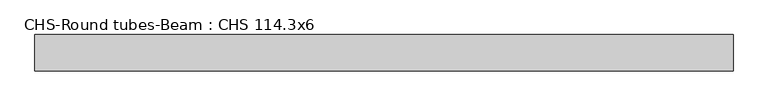
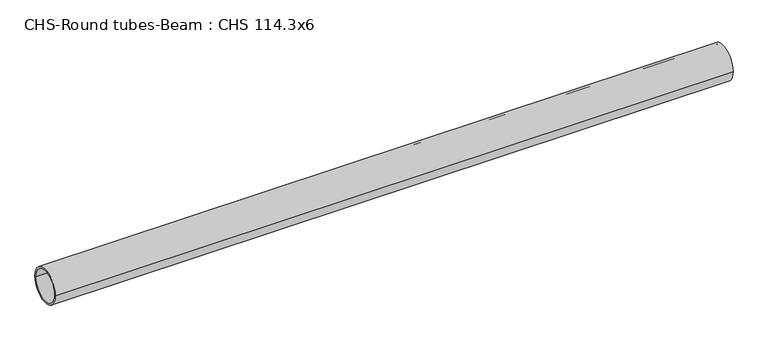
"""IFC4 building model written with IfcOpenShell, lengths in millimetres: beam geometry, CHS-Round tubes-Beam : CHS 114.3x6."""

from ifc_helpers import new_model, si_unit, point, frame, origin, origin_2d, place, context, project, spatial, circle_curve, trimmed, segment, composite_curve, outline, extrude, source, transform, mapped, element, save


def chs_round_tubes_beam_chs_114_3x6_15a9f2d4(model_context):
    return source(origin(), model_context, "Body", "SweptSolid", [
        extrude(outline(composite_curve([segment(trimmed(circle_curve(origin_2d(), 57.15), [point((57.15, 0.0))], [point((-57.15, 0.0))], False, "CARTESIAN"), True, "CONTINUOUS"), segment(trimmed(circle_curve(origin_2d(), 57.15), [point((-57.15, 0.0))], [point((57.15, 0.0))], False, "CARTESIAN"), True, "CONTINUOUS")], self_intersect=False), holes=[composite_curve([segment(trimmed(circle_curve(origin_2d(), 51.15), [point((51.15, 0.0))], [point((-51.15, 0.0))], True, "CARTESIAN"), True, "CONTINUOUS"), segment(trimmed(circle_curve(origin_2d(), 51.15), [point((-51.15, 0.0))], [point((51.15, 0.0))], True, "CARTESIAN"), True, "CONTINUOUS")], self_intersect=False)]), frame((-1057.6548331, 0.0, 0.0), z_axis=(1.0, 0.0, 0.0), x_axis=(0.0, 1.0, 0.0)), (0.0, 0.0, 1.0), 2189.8331386),
    ])


if __name__ == "__main__":
    model = new_model("IFC4")
    model_context = context("Model", 3, world=origin())
    ifc_project = project(units=[si_unit("LENGTHUNIT", "METRE", prefix="MILLI")], contexts=[model_context])
    site = spatial("IfcSite", under=ifc_project)
    building = spatial("IfcBuilding", under=site)
    placement = place(None, origin())
    chs_round_tubes_beam_chs_114_3x6_shape = chs_round_tubes_beam_chs_114_3x6_15a9f2d4(model_context)
    element("IfcBeam", 1, ObjectType="CHS-Round tubes-Beam : CHS 114.3x6", at=placement, inside=building, context=model_context, shape_type="MappedRepresentation", body=[
        mapped(chs_round_tubes_beam_chs_114_3x6_shape, transform((0.0, 0.0, 0.0), x_axis=(1.0, 0.0, 0.0), y_axis=(0.0, 1.0, 0.0), z_axis=(0.0, 0.0, 1.0))),
    ])
    save(model, "model.ifc")
